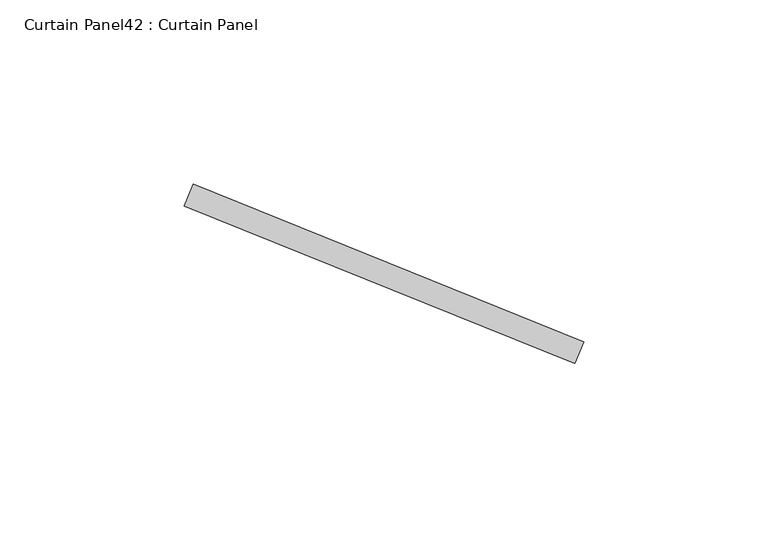
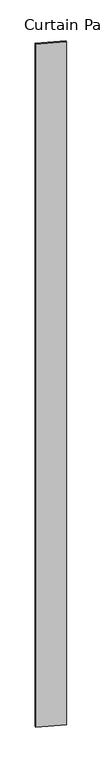
"""IFC4 building model written with IfcOpenShell, lengths in millimetres: plate geometry, Curtain Panel42 : Curtain Panel."""

from ifc_helpers import new_model, si_unit, frame, origin, place, context, project, spatial, polyline, outline, extrude, source, transform, mapped, element, save


def curtain_panel42_curtain_panel_7ba4b84f(model_context):
    return source(origin(), model_context, "Body", "SweptSolid", [
        extrude(outline(polyline([(910264.6198129, 2143.0962167), (910370.5483979, 2100.2855051), (910368.1690352, 2094.3981345), (910262.2404502, 2137.208846), (910264.6198129, 2143.0962167)])), frame((0.0, 0.0, 3136.8926964), z_axis=(0.0, 0.0, 1.0), x_axis=(1.0, 0.0, 0.0)), (0.0, 0.0, 1.0), 3048.0),
    ])


if __name__ == "__main__":
    model = new_model("IFC4")
    model_context = context("Model", 3, world=origin())
    ifc_project = project(units=[si_unit("LENGTHUNIT", "METRE", prefix="MILLI")], contexts=[model_context])
    site = spatial("IfcSite", under=ifc_project)
    building = spatial("IfcBuilding", under=site)
    placement = place(None, origin())
    curtain_panel42_curtain_panel_shape = curtain_panel42_curtain_panel_7ba4b84f(model_context)
    element("IfcPlate", 1, ObjectType="Curtain Panel42 : Curtain Panel", at=placement, inside=building, context=model_context, shape_type="MappedRepresentation", body=[
        mapped(curtain_panel42_curtain_panel_shape, transform((0.0, 0.0, 0.0), x_axis=(1.0, 0.0, 0.0), y_axis=(0.0, 1.0, 0.0), z_axis=(0.0, 0.0, 1.0))),
    ])
    save(model, "model.ifc")
